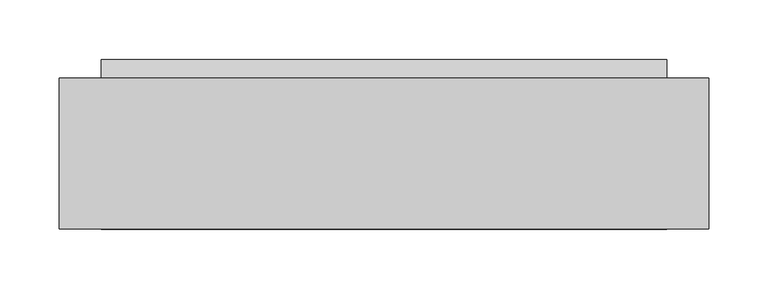
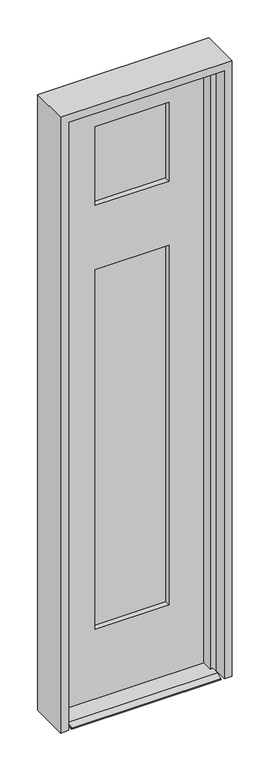
"""IFC4 building model written with IfcOpenShell, lengths in millimetres: plate geometry."""

from ifc_helpers import new_model, si_unit, frame, origin, place, context, project, spatial, polyline, outline, extrude, faceted_brep, source, transform, mapped, element, save


def plate_da430aa5(model_context):
    return source(origin(), model_context, "Body", "SolidModel", [
        extrude(outline(polyline([(136.906, -14.95425), (136.906, -20.9677), (-136.906, -20.9677), (-136.906, -14.95425), (136.906, -14.95425)])), frame((0.0, 0.0, 1651.7874), z_axis=(0.0, 0.0, 1.0), x_axis=(1.0, 0.0, 0.0)), (0.0, 0.0, 1.0), 304.8),
        extrude(outline(polyline([(-136.906, -29.24175), (-136.906, -23.2283), (136.906, -23.2283), (136.906, -29.24175), (-136.906, -29.24175)])), frame((0.0, 0.0, 1651.7874), z_axis=(0.0, 0.0, 1.0), x_axis=(1.0, 0.0, 0.0)), (0.0, 0.0, 1.0), 304.8),
        extrude(outline(polyline([(136.906, -29.24175), (-136.906, -29.24175), (-136.906, -23.2283), (136.906, -23.2283), (136.906, -29.24175)])), frame((0.0, 0.0, 226.21875), z_axis=(0.0, 0.0, 1.0), x_axis=(1.0, 0.0, 0.0)), (0.0, 0.0, 1.0), 1249.35615),
        extrude(outline(polyline([(-136.906, -14.95425), (136.906, -14.95425), (136.906, -20.9677), (-136.906, -20.9677), (-136.906, -14.95425)])), frame((0.0, 0.0, 226.21875), z_axis=(0.0, 0.0, 1.0), x_axis=(1.0, 0.0, 0.0)), (0.0, 0.0, 1.0), 1249.35615),
        faceted_brep([(-237.7186, -3.34645, 2038.35), (-237.7186, -47.79645, 2038.35), (237.7186, -47.79645, 2038.35), (237.7186, -3.34645, 2038.35), (237.7186, -127.17145, 0.0), (-237.7186, -127.17145, 0.0), (-237.7186, 15.70355, 0.0), (237.7186, 15.70355, 0.0), (-237.7186, -47.79645, 12.7), (237.7186, -47.79645, 12.7), (117.0686, -47.79645, 246.0625), (-117.0686, -47.79645, 246.0625), (-117.0686, -47.79645, 1455.7248), (117.0686, -47.79645, 1455.7248), (-117.0686, -47.79645, 1671.6248), (-117.0686, -47.79645, 1936.75), (117.0686, -47.79645, 1936.75), (117.0686, -47.79645, 1671.6248), (-117.0686, -29.24175, 246.0625), (-117.0686, -29.24175, 1455.7248), (-117.0686, -29.24175, 1671.6248), (-117.0686, -29.24175, 1936.75), (136.906, -29.24175, 226.21875), (-136.906, -29.24175, 226.21875), (-136.906, -29.24175, 1475.5749), (136.906, -29.24175, 1475.5749), (117.0686, -29.24175, 246.0625), (117.0686, -29.24175, 1455.7248), (136.906, -29.24175, 1651.7874), (-136.906, -29.24175, 1651.7874), (-136.906, -29.24175, 1956.5874), (136.906, -29.24175, 1956.5874), (117.0686, -29.24175, 1671.6248), (117.0686, -29.24175, 1936.75), (-136.906, -14.95425, 1651.7874), (-136.906, -14.95425, 1956.5874), (-136.906, -14.95425, 226.21875), (-136.906, -14.95425, 1475.5749), (136.906, -14.95425, 226.21875), (136.906, -14.95425, 1475.5749), (117.0686, -14.95425, 246.0625), (-117.0686, -14.95425, 246.0625), (-117.0686, -14.95425, 1455.7248), (117.0686, -14.95425, 1455.7248), (136.906, -14.95425, 1651.7874), (136.906, -14.95425, 1956.5874), (117.0686, -14.95425, 1671.6248), (-117.0686, -14.95425, 1671.6248), (-117.0686, -14.95425, 1936.75), (117.0686, -14.95425, 1936.75), (-117.0686, -3.34645, 246.0625), (-117.0686, -3.34645, 1455.7248), (-117.0686, -3.34645, 1671.6248), (-117.0686, -3.34645, 1936.75), (237.7186, -3.34645, 12.7), (-237.7186, -3.34645, 12.7), (117.0686, -3.34645, 246.0625), (117.0686, -3.34645, 1455.7248), (117.0686, -3.34645, 1671.6248), (117.0686, -3.34645, 1936.75), (-237.7186, 15.70355, 3.175), (-237.7186, -127.17145, 3.175), (-237.7186, -108.12145, 12.7), (237.7186, -108.12145, 12.7), (237.7186, -127.17145, 3.175), (237.7186, 15.70355, 3.175)], [[[0, 1, 2, 3]], [[4, 5, 6, 7]], [[2, 1, 8, 9], [10, 11, 12, 13], [14, 15, 16, 17]], [[11, 18, 19, 12]], [[14, 20, 21, 15]], [[22, 23, 24, 25], [18, 26, 27, 19]], [[28, 29, 30, 31], [20, 32, 33, 21]], [[30, 29, 34, 35]], [[23, 36, 37, 24]], [[36, 38, 39, 37], [40, 41, 42, 43]], [[34, 44, 45, 35], [46, 47, 48, 49]], [[41, 50, 51, 42]], [[47, 52, 53, 48]], [[0, 3, 54, 55], [50, 56, 57, 51], [58, 59, 53, 52]], [[8, 1, 0, 55, 60, 6, 5, 61, 62]], [[2, 9, 63, 64, 4, 7, 65, 54, 3]], [[63, 9, 8, 62]], [[64, 63, 62, 61]], [[4, 64, 61, 5]], [[54, 65, 60, 55]], [[50, 41, 40, 56]], [[36, 23, 22, 38]], [[18, 11, 10, 26]], [[65, 7, 6, 60]], [[56, 40, 43, 57]], [[58, 46, 49, 59]], [[45, 44, 28, 31]], [[38, 22, 25, 39]], [[26, 10, 13, 27]], [[32, 17, 16, 33]], [[34, 29, 28, 44]], [[14, 17, 32, 20]], [[13, 12, 19, 27]], [[24, 37, 39, 25]], [[43, 42, 51, 57]], [[47, 46, 58, 52]], [[49, 48, 53, 59]], [[35, 45, 31, 30]], [[16, 15, 21, 33]]]),
        faceted_brep([(273.05, 0.0, 2070.1), (-273.05, 0.0, 2070.1), (-273.05, -127.0, 2070.1), (273.05, -127.0, 2070.1), (-273.05, -127.0, 0.0), (-273.05, 0.0, 0.0), (-247.65, 0.0, 0.0), (-247.65, -47.625, 0.0), (-228.6, -47.625, 0.0), (-228.6, -82.9250181, 0.0), (-247.65, -82.9250181, 0.0), (-247.65, -127.0, 0.0), (273.05, -127.0, 0.0), (273.05, 0.0, 0.0), (247.65, -47.625, 2044.7), (-247.65, -47.625, 2044.7), (-247.65, 0.0, 2044.7), (247.65, 0.0, 2044.7), (-228.6, -82.9250181, 2025.65), (-228.6, -47.625, 2025.65), (228.6, -47.625, 2025.65), (228.6, -82.9250181, 2025.65), (-247.65, -127.0, 2044.7), (-247.65, -82.9250181, 2044.7), (247.65, -82.9250181, 2044.7), (247.65, -127.0, 2044.7), (247.65, 0.0, 0.0), (247.65, -127.0, 0.0), (247.65, -82.9250181, 0.0), (228.6, -82.9250181, 0.0), (228.6, -47.625, 0.0), (247.65, -47.625, 0.0)], [[[0, 1, 2, 3]], [[4, 5, 6, 7, 8, 9, 10, 11]], [[2, 1, 5, 4]], [[0, 3, 12, 13]], [[14, 15, 16, 17]], [[18, 19, 20, 21]], [[22, 23, 24, 25]], [[26, 13, 12, 27, 28, 29, 30, 31]], [[26, 31, 14, 17]], [[30, 29, 21, 20]], [[24, 28, 27, 25]], [[4, 11, 22, 25, 27, 12, 3, 2]], [[11, 10, 23, 22]], [[10, 9, 18, 21, 29, 28, 24, 23]], [[9, 8, 19, 18]], [[8, 7, 15, 14, 31, 30, 20, 19]], [[7, 6, 16, 15]], [[6, 5, 1, 0, 13, 26, 17, 16]]]),
    ])


if __name__ == "__main__":
    model = new_model("IFC4")
    model_context = context("Model", 3, world=origin())
    ifc_project = project(units=[si_unit("LENGTHUNIT", "METRE", prefix="MILLI")], contexts=[model_context])
    site = spatial("IfcSite", under=ifc_project)
    building = spatial("IfcBuilding", under=site)
    placement = place(None, origin())
    plate_shape = plate_da430aa5(model_context)
    element("IfcPlate", 1, at=placement, inside=building, context=model_context, shape_type="MappedRepresentation", body=[
        mapped(plate_shape, transform((0.0, 0.0, 0.0), x_axis=(1.0, 0.0, 0.0), y_axis=(0.0, 1.0, 0.0), z_axis=(0.0, 0.0, 1.0))),
    ])
    save(model, "model.ifc")
